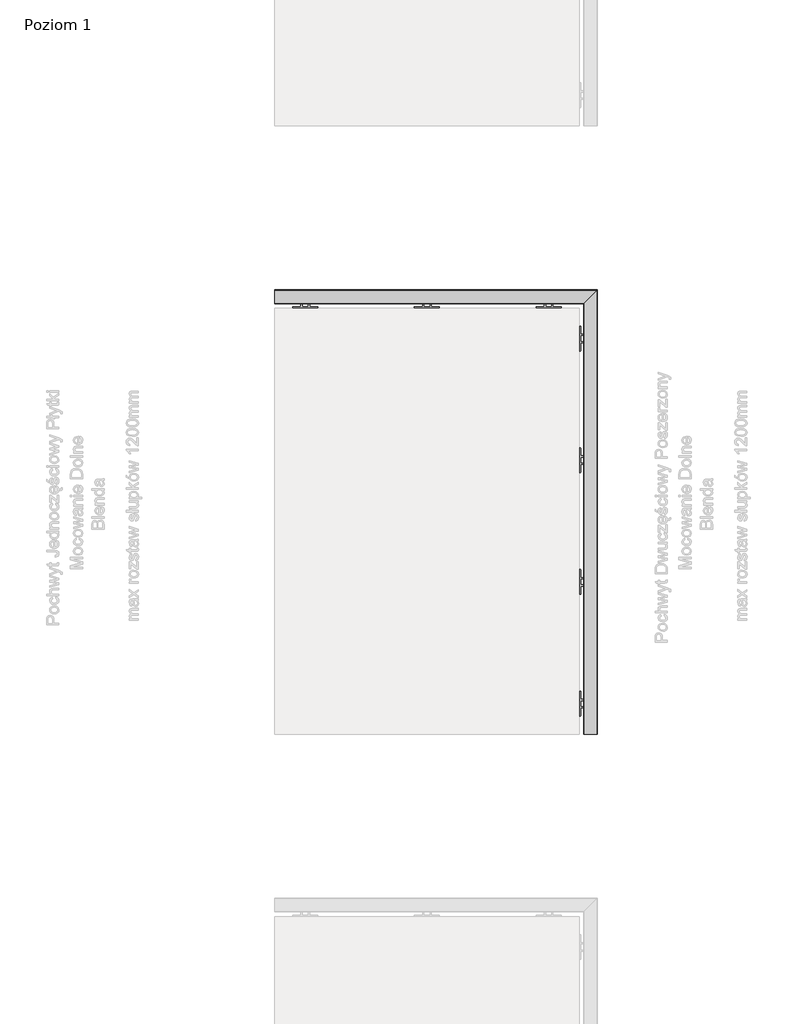
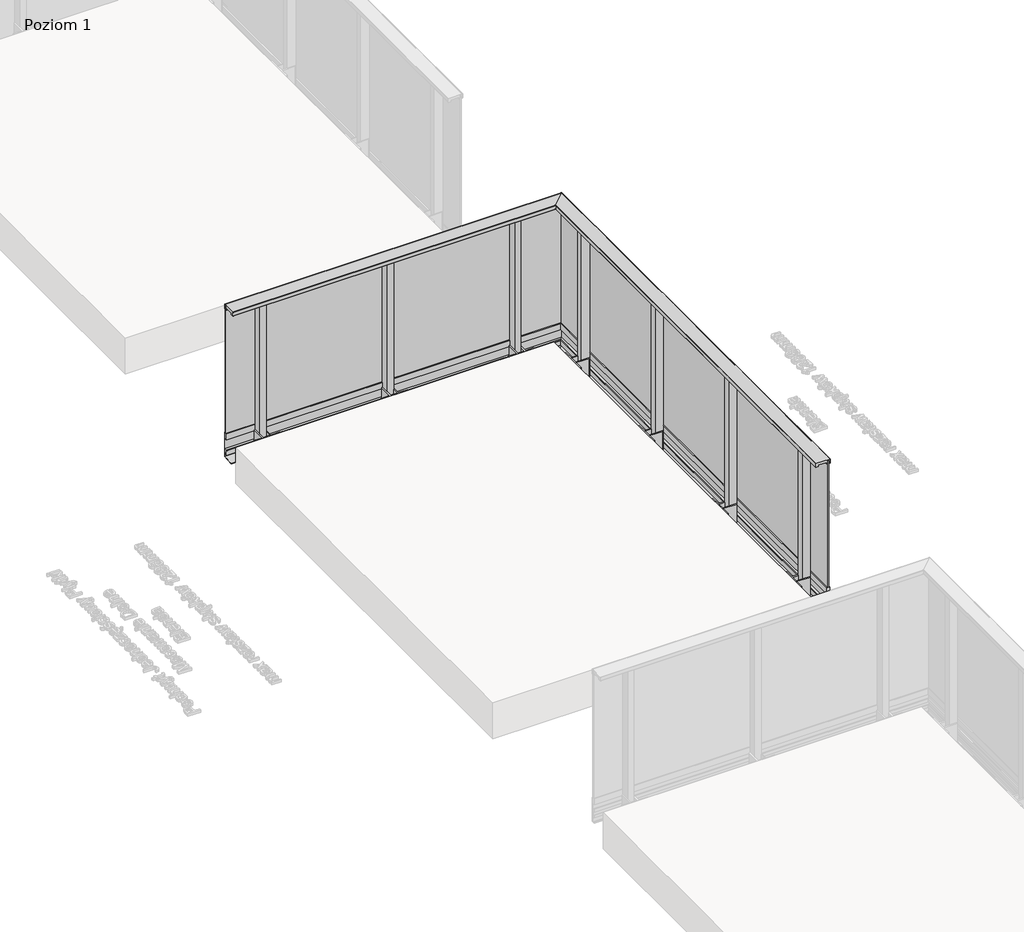
# One storey, part 6 of 35: 1 railing.
"""IFC4 building model written with IfcOpenShell, lengths in millimetres."""

from ifc_helpers import new_model, si_unit, frame, origin, place, context, project, spatial, polyline, circle_curve, ellipse_curve, outline, extrude, faceted_brep, element, save
from ifc_brep_helpers import plane_surface, cylinder_surface, revolved_surface, advanced_brep

model = new_model("IFC4")

# Units and contexts
model_context = context("Model", 3, world=origin())
ifc_project = project(units=[si_unit("LENGTHUNIT", "METRE", prefix="MILLI")], contexts=[model_context])

# Site, building, storey
site = spatial("IfcSite", under=ifc_project)
building = spatial("IfcBuilding", under=site)
storey = spatial("IfcBuildingStorey", under=building, Name="Poziom 1", Elevation=0.0)

# Railing
placement = place(None, origin())
element("IfcRailing", 1, at=placement, inside=storey, context=model_context, shape_type="SolidModel", body=[
    faceted_brep([(14538.3652811, -4629.5008183, 37.0), (14514.3652811, -4629.5008183, 37.0), (14514.3652811, -4629.5008183, -13.0), (14536.3652811, -4629.5008183, -13.0), (14536.3652811, -4629.5008183, -96.9554203), (14518.1832954, -4629.5008183, -96.9554203), (14518.1832954, -4629.5008183, -106.1344716), (14514.6406636, -4629.5008183, -106.1344716), (14514.6406636, -4629.5008183, -143.1624898), (14527.921825, -4629.5008183, -143.1624898), (14527.921825, -4629.5008183, -131.8419804), (14536.0842003, -4629.5008183, -131.8419804), (14536.0842003, -4629.5008183, -161.7741452), (14448.5987124, -4629.5008183, -169.4281336), (14448.7730238, -4629.5008183, -171.420523), (14538.3652811, -4629.5008183, -163.5822161), (14538.3652811, -982.117534, 37.0), (14514.3652811, -1006.117534, 37.0), (14514.3652811, -1006.117534, -13.0), (14536.3652811, -984.117534, -13.0), (14536.3652811, -984.117534, -96.9554203), (14518.1832954, -1002.2995197, -96.9554203), (14518.1832954, -1002.2995197, -106.1344716), (14514.6406636, -1005.8421514, -106.1344716), (14514.6406636, -1005.8421514, -143.1624898), (14527.921825, -992.5609901, -143.1624898), (14527.921825, -992.5609901, -131.8419804), (14536.0842003, -984.3986147, -131.8419804), (14536.0842003, -984.3986147, -161.7741452), (14448.5987124, -1071.8841027, -169.4281336), (14448.7730238, -1071.7097912, -171.420523), (14538.3652811, -982.117534, -163.5822161), (11890.9819967, -982.117534, 37.0), (11890.9819967, -982.117534, -163.5822161), (11890.9819967, -1071.7097912, -171.420523), (11890.9819967, -1071.8841027, -169.4281336), (11890.9819967, -984.3986147, -161.7741452), (11890.9819967, -984.3986147, -131.8419804), (11890.9819967, -992.5609901, -131.8419804), (11890.9819967, -992.5609901, -143.1624898), (11890.9819967, -1005.8421514, -143.1624898), (11890.9819967, -1005.8421514, -106.1344716), (11890.9819967, -1002.2995197, -106.1344716), (11890.9819967, -1002.2995197, -96.9554203), (11890.9819967, -984.117534, -96.9554203), (11890.9819967, -984.117534, -13.0), (11890.9819967, -1006.117534, -13.0), (11890.9819967, -1006.117534, 37.0)], [[[0, 1, 2, 3, 4, 5, 6, 7, 8, 9, 10, 11, 12, 13, 14, 15]], [[1, 0, 16, 17]], [[2, 1, 17, 18]], [[3, 2, 18, 19]], [[4, 3, 19, 20]], [[5, 4, 20, 21]], [[6, 5, 21, 22]], [[7, 6, 22, 23]], [[8, 7, 23, 24]], [[9, 8, 24, 25]], [[10, 9, 25, 26]], [[11, 10, 26, 27]], [[12, 11, 27, 28]], [[13, 12, 28, 29]], [[14, 13, 29, 30]], [[15, 14, 30, 31]], [[0, 15, 31, 16]], [[32, 33, 34, 35, 36, 37, 38, 39, 40, 41, 42, 43, 44, 45, 46, 47]], [[17, 16, 32, 47]], [[18, 17, 47, 46]], [[19, 18, 46, 45]], [[20, 19, 45, 44]], [[21, 20, 44, 43]], [[22, 21, 43, 42]], [[23, 22, 42, 41]], [[24, 23, 41, 40]], [[25, 24, 40, 39]], [[26, 25, 39, 38]], [[27, 26, 38, 37]], [[28, 27, 37, 36]], [[29, 28, 36, 35]], [[30, 29, 35, 34]], [[31, 30, 34, 33]], [[16, 31, 33, 32]]]),
    advanced_brep(
    [(14428.4819967, -4629.5008183, 1100.0), (14427.9819967, -4629.5008183, 1099.5), (14427.9819967, -4629.5008183, 1068.5), (14428.4819967, -4629.5008183, 1068.0), (14447.9819967, -4629.5008183, 1068.0), (14447.9819967, -4629.5008183, 1081.0), (14513.9819967, -4629.5008183, 1081.0), (14513.9819967, -4629.5008183, 1068.0), (14516.7819967, -4629.5008183, 1068.0), (14516.7819967, -4629.5008183, 1069.2), (14515.9819967, -4629.5008183, 1069.2), (14515.9819967, -4629.5008183, 1097.5), (14516.4819967, -4629.5008183, 1098.0), (14535.4819967, -4629.5008183, 1098.0), (14535.9819967, -4629.5008183, 1097.5), (14535.9819967, -4629.5008183, 1069.2), (14535.1819967, -4629.5008183, 1069.2), (14535.1819967, -4629.5008183, 1068.0), (14539.4819967, -4629.5008183, 1068.0), (14539.9819967, -4629.5008183, 1068.5), (14539.9819967, -4629.5008183, 1099.5), (14539.4819967, -4629.5008183, 1100.0), (14428.4819967, -1092.0008183, 1100.0), (14427.9819967, -1092.5008183, 1099.5), (14427.9819967, -1092.5008183, 1068.5), (14428.4819967, -1092.0008183, 1068.0), (14447.9819967, -1072.5008183, 1068.0), (14447.9819967, -1072.5008183, 1081.0), (14513.9819967, -1006.5008183, 1081.0), (14513.9819967, -1006.5008183, 1068.0), (14516.7819967, -1003.7008183, 1068.0), (14516.7819967, -1003.7008183, 1069.2), (14515.9819967, -1004.5008183, 1069.2), (14515.9819967, -1004.5008183, 1097.5), (14516.4819967, -1004.0008183, 1098.0), (14535.4819967, -985.0008183, 1098.0), (14535.9819967, -984.5008183, 1097.5), (14535.9819967, -984.5008183, 1069.2), (14535.1819967, -985.3008183, 1069.2), (14535.1819967, -985.3008183, 1068.0), (14539.4819967, -981.0008183, 1068.0), (14539.9819967, -980.5008183, 1068.5), (14539.9819967, -980.5008183, 1099.5), (14539.4819967, -981.0008183, 1100.0), (11890.9819967, -1092.0008183, 1100.0), (11890.9819967, -981.0008183, 1100.0), (11890.9819967, -980.5008183, 1099.5), (11890.9819967, -980.5008183, 1068.5), (11890.9819967, -981.0008183, 1068.0), (11890.9819967, -985.3008183, 1068.0), (11890.9819967, -985.3008183, 1069.2), (11890.9819967, -984.5008183, 1069.2), (11890.9819967, -984.5008183, 1097.5), (11890.9819967, -985.0008183, 1098.0), (11890.9819967, -1004.0008183, 1098.0), (11890.9819967, -1004.5008183, 1097.5), (11890.9819967, -1004.5008183, 1069.2), (11890.9819967, -1003.7008183, 1069.2), (11890.9819967, -1003.7008183, 1068.0), (11890.9819967, -1006.5008183, 1068.0), (11890.9819967, -1006.5008183, 1081.0), (11890.9819967, -1072.5008183, 1081.0), (11890.9819967, -1072.5008183, 1068.0), (11890.9819967, -1092.0008183, 1068.0), (11890.9819967, -1092.5008183, 1068.5), (11890.9819967, -1092.5008183, 1099.5)],
    [
        (0, 1, circle_curve(frame((14428.4819967, -4629.5008183, 1099.5), z_axis=(0.0, -1.0, 0.0), x_axis=(1.0, 0.0, 0.0)), 0.5)),
        (1, 2),
        (2, 3, circle_curve(frame((14428.4819967, -4629.5008183, 1068.5), z_axis=(0.0, -1.0, 0.0), x_axis=(1.0, 0.0, 0.0)), 0.5)),
        (3, 4),
        (4, 5),
        (5, 6),
        (6, 7),
        (7, 8),
        (8, 9),
        (9, 10),
        (10, 11),
        (11, 12, circle_curve(frame((14516.4819967, -4629.5008183, 1097.5), z_axis=(0.0, 1.0, 0.0), x_axis=(1.0, 0.0, 0.0)), 0.5)),
        (12, 13),
        (13, 14, circle_curve(frame((14535.4819967, -4629.5008183, 1097.5), z_axis=(0.0, 1.0, 0.0), x_axis=(1.0, 0.0, 0.0)), 0.5)),
        (14, 15),
        (15, 16),
        (16, 17),
        (17, 18),
        (18, 19, circle_curve(frame((14539.4819967, -4629.5008183, 1068.5), z_axis=(0.0, -1.0, 0.0), x_axis=(1.0, 0.0, 0.0)), 0.5)),
        (19, 20),
        (20, 21, circle_curve(frame((14539.4819967, -4629.5008183, 1099.5), z_axis=(0.0, -1.0, 0.0), x_axis=(1.0, 0.0, 0.0)), 0.5)),
        (21, 0),
        (0, 22),
        (22, 23, ellipse_curve(frame((14428.4819967, -1092.0008183, 1099.5), z_axis=(0.7071067811865467, -0.7071067811865482, 0.0), x_axis=(-0.7071067811865482, -0.7071067811865469, 0.0)), 0.7071068, 0.5)),
        (23, 1),
        (23, 24),
        (24, 2),
        (24, 25, ellipse_curve(frame((14428.4819967, -1092.0008183, 1068.5), z_axis=(0.7071067811865467, -0.7071067811865482, 0.0), x_axis=(-0.7071067811865482, -0.7071067811865469, 0.0)), 0.7071068, 0.5)),
        (25, 3),
        (25, 26),
        (26, 4),
        (26, 27),
        (27, 5),
        (27, 28),
        (28, 6),
        (28, 29),
        (29, 7),
        (29, 30),
        (30, 8),
        (30, 31),
        (31, 9),
        (31, 32),
        (32, 10),
        (32, 33),
        (33, 11),
        (33, 34, ellipse_curve(frame((14516.4819967, -1004.0008183, 1097.5), z_axis=(-0.7071067811865467, 0.7071067811865482, 0.0), x_axis=(0.7071067811865482, 0.7071067811865469, 0.0)), 0.7071068, 0.5)),
        (34, 12),
        (34, 35),
        (35, 13),
        (35, 36, ellipse_curve(frame((14535.4819967, -985.0008183, 1097.5), z_axis=(-0.7071067811865467, 0.7071067811865482, 0.0), x_axis=(0.7071067811865482, 0.7071067811865469, 0.0)), 0.7071068, 0.5)),
        (36, 14),
        (36, 37),
        (37, 15),
        (37, 38),
        (38, 16),
        (38, 39),
        (39, 17),
        (39, 40),
        (40, 18),
        (40, 41, ellipse_curve(frame((14539.4819967, -981.0008183, 1068.5), z_axis=(0.7071067811865467, -0.7071067811865482, 0.0), x_axis=(-0.7071067811865482, -0.7071067811865469, 0.0)), 0.7071068, 0.5)),
        (41, 19),
        (41, 42),
        (42, 20),
        (42, 43, ellipse_curve(frame((14539.4819967, -981.0008183, 1099.5), z_axis=(0.7071067811865467, -0.7071067811865482, 0.0), x_axis=(-0.7071067811865482, -0.7071067811865469, 0.0)), 0.7071068, 0.5)),
        (43, 21),
        (43, 22),
        (44, 45),
        (45, 46, circle_curve(frame((11890.9819967, -981.0008183, 1099.5), z_axis=(-1.0, 0.0, 0.0), x_axis=(0.0, 1.0, 0.0)), 0.5)),
        (46, 47),
        (47, 48, circle_curve(frame((11890.9819967, -981.0008183, 1068.5), z_axis=(-1.0, 0.0, 0.0), x_axis=(0.0, 1.0, 0.0)), 0.5)),
        (48, 49),
        (49, 50),
        (50, 51),
        (51, 52),
        (52, 53, circle_curve(frame((11890.9819967, -985.0008183, 1097.5), z_axis=(1.0, 0.0, 0.0), x_axis=(0.0, 1.0, 0.0)), 0.5)),
        (53, 54),
        (54, 55, circle_curve(frame((11890.9819967, -1004.0008183, 1097.5), z_axis=(1.0, 0.0, 0.0), x_axis=(0.0, 1.0, 0.0)), 0.5)),
        (55, 56),
        (56, 57),
        (57, 58),
        (58, 59),
        (59, 60),
        (60, 61),
        (61, 62),
        (62, 63),
        (63, 64, circle_curve(frame((11890.9819967, -1092.0008183, 1068.5), z_axis=(-1.0, 0.0, 0.0), x_axis=(0.0, 1.0, 0.0)), 0.5)),
        (64, 65),
        (65, 44, circle_curve(frame((11890.9819967, -1092.0008183, 1099.5), z_axis=(-1.0, 0.0, 0.0), x_axis=(0.0, 1.0, 0.0)), 0.5)),
        (22, 44),
        (65, 23),
        (64, 24),
        (63, 25),
        (62, 26),
        (61, 27),
        (60, 28),
        (59, 29),
        (58, 30),
        (57, 31),
        (56, 32),
        (55, 33),
        (54, 34),
        (53, 35),
        (52, 36),
        (51, 37),
        (50, 38),
        (49, 39),
        (48, 40),
        (47, 41),
        (46, 42),
        (45, 43),
    ],
    [
        plane_surface(frame((14480.9819967, -4629.5008183, 1100.0), z_axis=(0.0, -1.0, 0.0), x_axis=(0.0, 0.0, 1.0))),
        cylinder_surface(frame((14428.4819967, -4629.5008183, 1099.5), z_axis=(0.0, -1.0, 0.0), x_axis=(1.0, 0.0, 0.0)), 0.5),
        plane_surface(frame((14427.9819967, -4629.5008183, 1099.5), z_axis=(-1.0, 0.0, 0.0), x_axis=(0.0, 1.0, 0.0))),
        cylinder_surface(frame((14428.4819967, -4629.5008183, 1068.5), z_axis=(0.0, -1.0, 0.0), x_axis=(1.0, 0.0, 0.0)), 0.5),
        plane_surface(frame((14428.4819967, -4629.5008183, 1068.0), z_axis=(0.0, 0.0, -1.0), x_axis=(0.0, 1.0, 0.0))),
        plane_surface(frame((14447.9819967, -4629.5008183, 1068.0), z_axis=(1.0, 0.0, 0.0), x_axis=(0.0, 1.0, 0.0))),
        plane_surface(frame((14447.9819967, -4629.5008183, 1081.0), z_axis=(0.0, 0.0, -1.0), x_axis=(0.0, 1.0, 0.0))),
        plane_surface(frame((14513.9819967, -4629.5008183, 1081.0), z_axis=(-1.0, 0.0, 0.0), x_axis=(0.0, 1.0, 0.0))),
        plane_surface(frame((14513.9819967, -4629.5008183, 1068.0), z_axis=(0.0, 0.0, -1.0), x_axis=(0.0, 1.0, 0.0))),
        plane_surface(frame((14516.7819967, -4629.5008183, 1068.0), z_axis=(1.0, 0.0, 0.0), x_axis=(0.0, 1.0, 0.0))),
        plane_surface(frame((14516.7819967, -4629.5008183, 1069.2), z_axis=(0.0, 0.0, 1.0), x_axis=(0.0, 1.0, 0.0))),
        plane_surface(frame((14515.9819967, -4629.5008183, 1069.2), z_axis=(1.0, 0.0, 0.0), x_axis=(0.0, 1.0, 0.0))),
        revolved_surface(polyline([(14516.9819967, -1003.5008182866968, 1097.5), (14516.9819967, -4629.5008183, 1097.5)]), (14516.4819967, -4629.5008183, 1097.5), (0.0, 1.0, 0.0)),
        plane_surface(frame((14516.4819967, -4629.5008183, 1098.0), z_axis=(0.0, 0.0, -1.0), x_axis=(0.0, 1.0, 0.0))),
        revolved_surface(polyline([(14535.9819967, -984.5008182866968, 1097.5), (14535.9819967, -4629.5008183, 1097.5)]), (14535.4819967, -4629.5008183, 1097.5), (0.0, 1.0, 0.0)),
        plane_surface(frame((14535.9819967, -4629.5008183, 1097.5), z_axis=(-1.0, 0.0, 0.0), x_axis=(0.0, 1.0, 0.0))),
        plane_surface(frame((14535.9819967, -4629.5008183, 1069.2), z_axis=(0.0, 0.0, 1.0), x_axis=(0.0, 1.0, 0.0))),
        plane_surface(frame((14535.1819967, -4629.5008183, 1069.2), z_axis=(-1.0, 0.0, 0.0), x_axis=(0.0, 1.0, 0.0))),
        plane_surface(frame((14535.1819967, -4629.5008183, 1068.0), z_axis=(0.0, 0.0, -1.0), x_axis=(0.0, 1.0, 0.0))),
        cylinder_surface(frame((14539.4819967, -4629.5008183, 1068.5), z_axis=(0.0, -1.0, 0.0), x_axis=(1.0, 0.0, 0.0)), 0.5),
        plane_surface(frame((14539.9819967, -4629.5008183, 1068.5), z_axis=(1.0, 0.0, 0.0), x_axis=(0.0, 1.0, 0.0))),
        cylinder_surface(frame((14539.4819967, -4629.5008183, 1099.5), z_axis=(0.0, -1.0, 0.0), x_axis=(1.0, 0.0, 0.0)), 0.5),
        plane_surface(frame((14539.4819967, -4629.5008183, 1100.0), z_axis=(0.0, 0.0, 1.0), x_axis=(0.0, 1.0, 0.0))),
        plane_surface(frame((11890.9819967, -1039.5008183, 1100.0), z_axis=(-1.0, 0.0, 0.0), x_axis=(0.0, -1.0, 0.0))),
        cylinder_surface(frame((14480.9819967, -1092.0008183, 1099.5), z_axis=(1.0, 0.0, 0.0), x_axis=(0.0, 1.0, 0.0)), 0.5),
        plane_surface(frame((14427.9819967, -1092.5008183, 1099.5), z_axis=(0.0, -1.0, 0.0), x_axis=(-1.0, 0.0, 0.0))),
        cylinder_surface(frame((14480.9819967, -1092.0008183, 1068.5), z_axis=(1.0, 0.0, 0.0), x_axis=(0.0, 1.0, 0.0)), 0.5),
        plane_surface(frame((14428.4819967, -1092.0008183, 1068.0), z_axis=(0.0, 0.0, -1.0), x_axis=(-1.0, 0.0, 0.0))),
        plane_surface(frame((14447.9819967, -1072.5008183, 1068.0), z_axis=(0.0, 1.0, 0.0), x_axis=(-1.0, 0.0, 0.0))),
        plane_surface(frame((14447.9819967, -1072.5008183, 1081.0), z_axis=(0.0, 0.0, -1.0), x_axis=(-1.0, 0.0, 0.0))),
        plane_surface(frame((14513.9819967, -1006.5008183, 1081.0), z_axis=(0.0, -1.0, 0.0), x_axis=(-1.0, 0.0, 0.0))),
        plane_surface(frame((14513.9819967, -1006.5008183, 1068.0), z_axis=(0.0, 0.0, -1.0), x_axis=(-1.0, 0.0, 0.0))),
        plane_surface(frame((14516.7819967, -1003.7008183, 1068.0), z_axis=(0.0, 1.0, 0.0), x_axis=(-1.0, 0.0, 0.0))),
        plane_surface(frame((14516.7819967, -1003.7008183, 1069.2), z_axis=(0.0, 0.0, 1.0), x_axis=(-1.0, 0.0, 0.0))),
        plane_surface(frame((14515.9819967, -1004.5008183, 1069.2), z_axis=(0.0, 1.0, 0.0), x_axis=(-1.0, 0.0, 0.0))),
        revolved_surface(polyline([(11890.9819967, -1003.5008183, 1097.5), (14516.981996713303, -1003.5008183, 1097.5)]), (14480.9819967, -1004.0008183, 1097.5), (-1.0, 0.0, 0.0)),
        plane_surface(frame((14516.4819967, -1004.0008183, 1098.0), z_axis=(0.0, 0.0, -1.0), x_axis=(-1.0, 0.0, 0.0))),
        revolved_surface(polyline([(11890.9819967, -984.5008183, 1097.5), (14535.981996713303, -984.5008183, 1097.5)]), (14480.9819967, -985.0008183, 1097.5), (-1.0, 0.0, 0.0)),
        plane_surface(frame((14535.9819967, -984.5008183, 1097.5), z_axis=(0.0, -1.0, 0.0), x_axis=(-1.0, 0.0, 0.0))),
        plane_surface(frame((14535.9819967, -984.5008183, 1069.2), z_axis=(0.0, 0.0, 1.0), x_axis=(-1.0, 0.0, 0.0))),
        plane_surface(frame((14535.1819967, -985.3008183, 1069.2), z_axis=(0.0, -1.0, 0.0), x_axis=(-1.0, 0.0, 0.0))),
        plane_surface(frame((14535.1819967, -985.3008183, 1068.0), z_axis=(0.0, 0.0, -1.0), x_axis=(-1.0, 0.0, 0.0))),
        cylinder_surface(frame((14480.9819967, -981.0008183, 1068.5), z_axis=(1.0, 0.0, 0.0), x_axis=(0.0, 1.0, 0.0)), 0.5),
        plane_surface(frame((14539.9819967, -980.5008183, 1068.5), z_axis=(0.0, 1.0, 0.0), x_axis=(-1.0, 0.0, 0.0))),
        cylinder_surface(frame((14480.9819967, -981.0008183, 1099.5), z_axis=(1.0, 0.0, 0.0), x_axis=(0.0, 1.0, 0.0)), 0.5),
        plane_surface(frame((14539.4819967, -981.0008183, 1100.0), z_axis=(0.0, 0.0, 1.0), x_axis=(-1.0, 0.0, 0.0))),
    ],
    [
        (0, [[1, 2, 3, 4, 5, 6, 7, 8, 9, 10, 11, 12, 13, 14, 15, 16, 17, 18, 19, 20, 21, 22]]),
        (1, [[-1, 23, 24, 25]]),
        (2, [[-2, -25, 26, 27]]),
        (3, [[-3, -27, 28, 29]]),
        (4, [[-4, -29, 30, 31]]),
        (5, [[-5, -31, 32, 33]]),
        (6, [[-6, -33, 34, 35]]),
        (7, [[-7, -35, 36, 37]]),
        (8, [[-8, -37, 38, 39]]),
        (9, [[-9, -39, 40, 41]]),
        (10, [[-10, -41, 42, 43]]),
        (11, [[-11, -43, 44, 45]]),
        (12, [[-12, -45, 46, 47]]),
        (13, [[-13, -47, 48, 49]]),
        (14, [[-14, -49, 50, 51]]),
        (15, [[-15, -51, 52, 53]]),
        (16, [[-16, -53, 54, 55]]),
        (17, [[-17, -55, 56, 57]]),
        (18, [[-18, -57, 58, 59]]),
        (19, [[-19, -59, 60, 61]]),
        (20, [[-20, -61, 62, 63]]),
        (21, [[-21, -63, 64, 65]]),
        (22, [[-22, -65, 66, -23]]),
        (23, [[67, 68, 69, 70, 71, 72, 73, 74, 75, 76, 77, 78, 79, 80, 81, 82, 83, 84, 85, 86, 87, 88]]),
        (24, [[-24, 89, -88, 90]]),
        (25, [[-26, -90, -87, 91]]),
        (26, [[-28, -91, -86, 92]]),
        (27, [[-30, -92, -85, 93]]),
        (28, [[-32, -93, -84, 94]]),
        (29, [[-34, -94, -83, 95]]),
        (30, [[-36, -95, -82, 96]]),
        (31, [[-38, -96, -81, 97]]),
        (32, [[-40, -97, -80, 98]]),
        (33, [[-42, -98, -79, 99]]),
        (34, [[-44, -99, -78, 100]]),
        (35, [[-46, -100, -77, 101]]),
        (36, [[-48, -101, -76, 102]]),
        (37, [[-50, -102, -75, 103]]),
        (38, [[-52, -103, -74, 104]]),
        (39, [[-54, -104, -73, 105]]),
        (40, [[-56, -105, -72, 106]]),
        (41, [[-58, -106, -71, 107]]),
        (42, [[-60, -107, -70, 108]]),
        (43, [[-62, -108, -69, 109]]),
        (44, [[-64, -109, -68, 110]]),
        (45, [[-66, -110, -67, -89]]),
    ],
),
    faceted_brep([(14529.9819967, -4629.5008183, 1087.0), (14521.9819967, -4629.5008183, 1087.0), (14521.9819967, -4629.5008183, 37.0), (14529.9819967, -4629.5008183, 37.0), (14529.9819967, -990.5008183, 1087.0), (14521.9819967, -998.5008183, 1087.0), (14521.9819967, -998.5008183, 37.0), (14529.9819967, -990.5008183, 37.0), (11890.9819967, -990.5008183, 1087.0), (11890.9819967, -990.5008183, 37.0), (11890.9819967, -998.5008183, 37.0), (11890.9819967, -998.5008183, 1087.0)], [[[0, 1, 2, 3]], [[1, 0, 4, 5]], [[2, 1, 5, 6]], [[3, 2, 6, 7]], [[0, 3, 7, 4]], [[8, 9, 10, 11]], [[5, 4, 8, 11]], [[6, 5, 11, 10]], [[7, 6, 10, 9]], [[4, 7, 9, 8]]]),
    faceted_brep([(14516.6692541, -4629.5008183, 1067.2160621), (14515.6441664, -4629.5008183, 1067.2160621), (14515.6441664, -4629.5008183, 1065.6627783), (14521.9819967, -4629.5008183, 1063.8454347), (14521.9819967, -4629.5008183, 1074.0), (14516.6692541, -4629.5008183, 1076.1464874), (14516.6692541, -1003.813561, 1067.2160621), (14515.6441664, -1004.8386487, 1067.2160621), (14515.6441664, -1004.8386487, 1065.6627783), (14521.9819967, -998.5008183, 1063.8454347), (14521.9819967, -998.5008183, 1074.0), (14516.6692541, -1003.813561, 1076.1464874), (11890.9819967, -1003.813561, 1067.2160621), (11890.9819967, -1003.813561, 1076.1464874), (11890.9819967, -998.5008183, 1074.0), (11890.9819967, -998.5008183, 1063.8454347), (11890.9819967, -1004.8386487, 1065.6627783), (11890.9819967, -1004.8386487, 1067.2160621)], [[[0, 1, 2, 3, 4, 5]], [[1, 0, 6, 7]], [[2, 1, 7, 8]], [[3, 2, 8, 9]], [[4, 3, 9, 10]], [[5, 4, 10, 11]], [[0, 5, 11, 6]], [[12, 13, 14, 15, 16, 17]], [[7, 6, 12, 17]], [[8, 7, 17, 16]], [[9, 8, 16, 15]], [[10, 9, 15, 14]], [[11, 10, 14, 13]], [[6, 11, 13, 12]]]),
    faceted_brep([(14535.2947394, -4629.5008183, 1067.2160621), (14535.2947394, -4629.5008183, 1076.1464874), (14529.9819967, -4629.5008183, 1074.0), (14529.9819967, -4629.5008183, 1063.8454347), (14536.3198271, -4629.5008183, 1065.6627783), (14536.3198271, -4629.5008183, 1067.2160621), (14535.2947394, -985.1880757, 1067.2160621), (14535.2947394, -985.1880757, 1076.1464874), (14529.9819967, -990.5008183, 1074.0), (14529.9819967, -990.5008183, 1063.8454347), (14536.3198271, -984.162988, 1065.6627783), (14536.3198271, -984.162988, 1067.2160621), (11890.9819967, -985.1880757, 1067.2160621), (11890.9819967, -984.162988, 1067.2160621), (11890.9819967, -984.162988, 1065.6627783), (11890.9819967, -990.5008183, 1063.8454347), (11890.9819967, -990.5008183, 1074.0), (11890.9819967, -985.1880757, 1076.1464874)], [[[0, 1, 2, 3, 4, 5]], [[1, 0, 6, 7]], [[2, 1, 7, 8]], [[3, 2, 8, 9]], [[4, 3, 9, 10]], [[5, 4, 10, 11]], [[0, 5, 11, 6]], [[12, 13, 14, 15, 16, 17]], [[7, 6, 12, 17]], [[8, 7, 17, 16]], [[9, 8, 16, 15]], [[10, 9, 15, 14]], [[11, 10, 14, 13]], [[6, 11, 13, 12]]]),
    extrude(outline(polyline([(12115.9819967, -1071.5008183), (12115.9819967, -1006.5008183), (12165.9819967, -1006.5008183), (12165.9819967, -1071.5008183), (12115.9819967, -1071.5008183)])), frame((0.0, 0.0, -162.0), z_axis=(0.0, 0.0, 1.0), x_axis=(1.0, 0.0, 0.0)), (0.0, 0.0, 1.0), 1253.0),
    extrude(outline(polyline([(12038.4819967, -1129.5008183), (12038.4819967, -1120.3292455), (12041.3104239, -1117.5008183), (12105.9612097, -1117.5008183), (12105.9612097, -1014.5637744), (12109.4872118, -1009.5281216), (12115.9612097, -1009.5281216), (12115.9612097, -1117.5008183), (12166.0027837, -1117.5008183), (12166.0027837, -1009.5281216), (12172.4767816, -1009.5281216), (12176.0027837, -1014.5637744), (12176.0027837, -1117.5008183), (12240.6535696, -1117.5008183), (12243.4819967, -1120.3292455), (12243.4819967, -1129.5008183), (12038.4819967, -1129.5008183)])), frame((0.0, 0.0, -152.0), z_axis=(0.0, 0.0, 1.0), x_axis=(1.0, 0.0, 0.0)), (0.0, 0.0, 1.0), 150.0),
    extrude(outline(polyline([(13115.9819967, -1071.5008183), (13115.9819967, -1006.5008183), (13165.9819967, -1006.5008183), (13165.9819967, -1071.5008183), (13115.9819967, -1071.5008183)])), frame((0.0, 0.0, -162.0), z_axis=(0.0, 0.0, 1.0), x_axis=(1.0, 0.0, 0.0)), (0.0, 0.0, 1.0), 1253.0),
    extrude(outline(polyline([(13038.4819967, -1129.5008183), (13038.4819967, -1120.3292455), (13041.3104239, -1117.5008183), (13105.9612097, -1117.5008183), (13105.9612097, -1014.5637744), (13109.4872118, -1009.5281216), (13115.9612097, -1009.5281216), (13115.9612097, -1117.5008183), (13166.0027837, -1117.5008183), (13166.0027837, -1009.5281216), (13172.4767816, -1009.5281216), (13176.0027837, -1014.5637744), (13176.0027837, -1117.5008183), (13240.6535696, -1117.5008183), (13243.4819967, -1120.3292455), (13243.4819967, -1129.5008183), (13038.4819967, -1129.5008183)])), frame((0.0, 0.0, -152.0), z_axis=(0.0, 0.0, 1.0), x_axis=(1.0, 0.0, 0.0)), (0.0, 0.0, 1.0), 150.0),
    extrude(outline(polyline([(14115.9819967, -1071.5008183), (14115.9819967, -1006.5008183), (14165.9819967, -1006.5008183), (14165.9819967, -1071.5008183), (14115.9819967, -1071.5008183)])), frame((0.0, 0.0, -162.0), z_axis=(0.0, 0.0, 1.0), x_axis=(1.0, 0.0, 0.0)), (0.0, 0.0, 1.0), 1253.0),
    extrude(outline(polyline([(14038.4819967, -1129.5008183), (14038.4819967, -1120.3292455), (14041.3104239, -1117.5008183), (14105.9612097, -1117.5008183), (14105.9612097, -1014.5637744), (14109.4872118, -1009.5281216), (14115.9612097, -1009.5281216), (14115.9612097, -1117.5008183), (14166.0027837, -1117.5008183), (14166.0027837, -1009.5281216), (14172.4767816, -1009.5281216), (14176.0027837, -1014.5637744), (14176.0027837, -1117.5008183), (14240.6535696, -1117.5008183), (14243.4819967, -1120.3292455), (14243.4819967, -1129.5008183), (14038.4819967, -1129.5008183)])), frame((0.0, 0.0, -152.0), z_axis=(0.0, 0.0, 1.0), x_axis=(1.0, 0.0, 0.0)), (0.0, 0.0, 1.0), 150.0),
    extrude(outline(polyline([(14448.9819967, -1354.5008183), (14513.9819967, -1354.5008183), (14513.9819967, -1404.5008183), (14448.9819967, -1404.5008183), (14448.9819967, -1354.5008183)])), frame((0.0, 0.0, -162.0), z_axis=(0.0, 0.0, 1.0), x_axis=(1.0, 0.0, 0.0)), (0.0, 0.0, 1.0), 1253.0),
    extrude(outline(polyline([(14390.9819967, -1277.0008183), (14400.1535696, -1277.0008183), (14402.9819967, -1279.8292455), (14402.9819967, -1344.4800313), (14505.9190406, -1344.4800313), (14510.9546935, -1348.0060334), (14510.9546935, -1354.4800313), (14402.9819967, -1354.4800313), (14402.9819967, -1404.5216053), (14510.9546935, -1404.5216053), (14510.9546935, -1410.9956032), (14505.9190406, -1414.5216053), (14402.9819967, -1414.5216053), (14402.9819967, -1479.1723912), (14400.1535696, -1482.0008183), (14390.9819967, -1482.0008183), (14390.9819967, -1277.0008183)])), frame((0.0, 0.0, -152.0), z_axis=(0.0, 0.0, 1.0), x_axis=(1.0, 0.0, 0.0)), (0.0, 0.0, 1.0), 150.0),
    extrude(outline(polyline([(14448.9819967, -2354.5008183), (14513.9819967, -2354.5008183), (14513.9819967, -2404.5008183), (14448.9819967, -2404.5008183), (14448.9819967, -2354.5008183)])), frame((0.0, 0.0, -162.0), z_axis=(0.0, 0.0, 1.0), x_axis=(1.0, 0.0, 0.0)), (0.0, 0.0, 1.0), 1253.0),
    extrude(outline(polyline([(14390.9819967, -2277.0008183), (14400.1535696, -2277.0008183), (14402.9819967, -2279.8292455), (14402.9819967, -2344.4800313), (14505.9190406, -2344.4800313), (14510.9546935, -2348.0060334), (14510.9546935, -2354.4800313), (14402.9819967, -2354.4800313), (14402.9819967, -2404.5216053), (14510.9546935, -2404.5216053), (14510.9546935, -2410.9956032), (14505.9190406, -2414.5216053), (14402.9819967, -2414.5216053), (14402.9819967, -2479.1723912), (14400.1535696, -2482.0008183), (14390.9819967, -2482.0008183), (14390.9819967, -2277.0008183)])), frame((0.0, 0.0, -152.0), z_axis=(0.0, 0.0, 1.0), x_axis=(1.0, 0.0, 0.0)), (0.0, 0.0, 1.0), 150.0),
    extrude(outline(polyline([(14448.9819967, -3354.5008183), (14513.9819967, -3354.5008183), (14513.9819967, -3404.5008183), (14448.9819967, -3404.5008183), (14448.9819967, -3354.5008183)])), frame((0.0, 0.0, -162.0), z_axis=(0.0, 0.0, 1.0), x_axis=(1.0, 0.0, 0.0)), (0.0, 0.0, 1.0), 1253.0),
    extrude(outline(polyline([(14390.9819967, -3277.0008183), (14400.1535696, -3277.0008183), (14402.9819967, -3279.8292455), (14402.9819967, -3344.4800313), (14505.9190406, -3344.4800313), (14510.9546935, -3348.0060334), (14510.9546935, -3354.4800313), (14402.9819967, -3354.4800313), (14402.9819967, -3404.5216053), (14510.9546935, -3404.5216053), (14510.9546935, -3410.9956032), (14505.9190406, -3414.5216053), (14402.9819967, -3414.5216053), (14402.9819967, -3479.1723912), (14400.1535696, -3482.0008183), (14390.9819967, -3482.0008183), (14390.9819967, -3277.0008183)])), frame((0.0, 0.0, -152.0), z_axis=(0.0, 0.0, 1.0), x_axis=(1.0, 0.0, 0.0)), (0.0, 0.0, 1.0), 150.0),
    extrude(outline(polyline([(14448.9819967, -4354.5008183), (14513.9819967, -4354.5008183), (14513.9819967, -4404.5008183), (14448.9819967, -4404.5008183), (14448.9819967, -4354.5008183)])), frame((0.0, 0.0, -162.0), z_axis=(0.0, 0.0, 1.0), x_axis=(1.0, 0.0, 0.0)), (0.0, 0.0, 1.0), 1253.0),
    extrude(outline(polyline([(14390.9819967, -4277.0008183), (14400.1535696, -4277.0008183), (14402.9819967, -4279.8292455), (14402.9819967, -4344.4800313), (14505.9190406, -4344.4800313), (14510.9546935, -4348.0060334), (14510.9546935, -4354.4800313), (14402.9819967, -4354.4800313), (14402.9819967, -4404.5216053), (14510.9546935, -4404.5216053), (14510.9546935, -4410.9956032), (14505.9190406, -4414.5216053), (14402.9819967, -4414.5216053), (14402.9819967, -4479.1723912), (14400.1535696, -4482.0008183), (14390.9819967, -4482.0008183), (14390.9819967, -4277.0008183)])), frame((0.0, 0.0, -152.0), z_axis=(0.0, 0.0, 1.0), x_axis=(1.0, 0.0, 0.0)), (0.0, 0.0, 1.0), 150.0),
    extrude(outline(polyline([(12115.9819967, -1071.5008183), (12115.9819967, -1006.5008183), (12165.9819967, -1006.5008183), (12165.9819967, -1071.5008183), (12115.9819967, -1071.5008183)])), frame((0.0, 0.0, -162.0), z_axis=(0.0, 0.0, 1.0), x_axis=(1.0, 0.0, 0.0)), (0.0, 0.0, 1.0), 1253.0),
    extrude(outline(polyline([(12038.4819967, -1129.5008183), (12038.4819967, -1120.3292455), (12041.3104239, -1117.5008183), (12105.9612097, -1117.5008183), (12105.9612097, -1014.5637744), (12109.4872118, -1009.5281216), (12115.9612097, -1009.5281216), (12115.9612097, -1117.5008183), (12166.0027837, -1117.5008183), (12166.0027837, -1009.5281216), (12172.4767816, -1009.5281216), (12176.0027837, -1014.5637744), (12176.0027837, -1117.5008183), (12240.6535696, -1117.5008183), (12243.4819967, -1120.3292455), (12243.4819967, -1129.5008183), (12038.4819967, -1129.5008183)])), frame((0.0, 0.0, -152.0), z_axis=(0.0, 0.0, 1.0), x_axis=(1.0, 0.0, 0.0)), (0.0, 0.0, 1.0), 150.0),
    extrude(outline(polyline([(14448.9819967, -4354.5008183), (14513.9819967, -4354.5008183), (14513.9819967, -4404.5008183), (14448.9819967, -4404.5008183), (14448.9819967, -4354.5008183)])), frame((0.0, 0.0, -162.0), z_axis=(0.0, 0.0, 1.0), x_axis=(1.0, 0.0, 0.0)), (0.0, 0.0, 1.0), 1253.0),
    extrude(outline(polyline([(14390.9819967, -4277.0008183), (14400.1535696, -4277.0008183), (14402.9819967, -4279.8292455), (14402.9819967, -4344.4800313), (14505.9190406, -4344.4800313), (14510.9546935, -4348.0060334), (14510.9546935, -4354.4800313), (14402.9819967, -4354.4800313), (14402.9819967, -4404.5216053), (14510.9546935, -4404.5216053), (14510.9546935, -4410.9956032), (14505.9190406, -4414.5216053), (14402.9819967, -4414.5216053), (14402.9819967, -4479.1723912), (14400.1535696, -4482.0008183), (14390.9819967, -4482.0008183), (14390.9819967, -4277.0008183)])), frame((0.0, 0.0, -152.0), z_axis=(0.0, 0.0, 1.0), x_axis=(1.0, 0.0, 0.0)), (0.0, 0.0, 1.0), 150.0),
])

save(model, "model.ifc")
